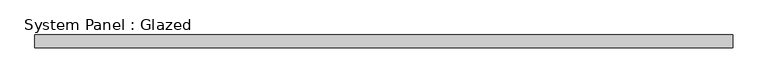
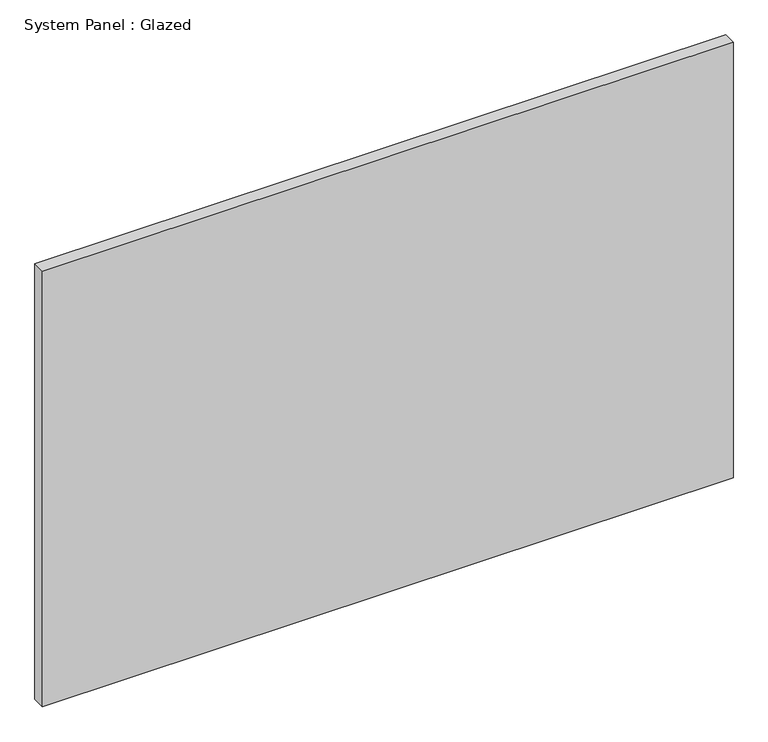
"""IFC4 building model written with IfcOpenShell, lengths in millimetres: plate geometry, System Panel : Glazed."""

import ifcopenshell
import ifcopenshell.guid

model = None  # the IFC model being written
_history = None  # IfcOwnerHistory: only IFC2X3 demands one
_inside = {}  # id of a spatial element -> (the spatial element, [elements in it])
_under = {}  # id of a project, library or spatial element -> (it, [spatial elements below it])
_declared = {}  # id of a project -> (the project, [libraries it declares])
_typed = {}  # id of a type object -> (the type object, [elements of that type])
_made_of = {}  # id of a material, layer set ... -> (it, [elements and type objects made of it])


def new_model(schema):
    """Start an empty IFC model of exactly this schema.

    Asked for "IFC4X3", IfcOpenShell would pick the latest addendum, in which some entities
    have other attributes; the version numbers below select the first issue.
    IFC2X3 requires an IfcOwnerHistory on every rooted entity: one is made here for all.
    """
    global model, _history
    if schema == "IFC4X3":
        model = ifcopenshell.file(schema_version=(4, 3, 0, 0))
    else:
        model = ifcopenshell.file(schema=schema)
    _inside.clear()
    _under.clear()
    _declared.clear()
    _typed.clear()
    _made_of.clear()
    _history = None
    if model.schema == "IFC2X3":
        org = make("IfcOrganization", Name="unknown")
        user = make(
            "IfcPersonAndOrganization",
            ThePerson=make("IfcPerson", FamilyName="unknown"),
            TheOrganization=org,
        )
        app = make(
            "IfcApplication",
            ApplicationDeveloper=org,
            Version="unknown",
            ApplicationFullName="unknown",
            ApplicationIdentifier="unknown",
        )
        _history = make(
            "IfcOwnerHistory",
            OwningUser=user,
            OwningApplication=app,
            ChangeAction="ADDED",
            CreationDate=0,
        )
    return model


def make(cls, **values):
    """One entity of the class cls with the attributes given. An attribute that is None is left unset."""
    return model.create_entity(
        cls, **{name: value for name, value in values.items() if value is not None}
    )


def rooted(cls, **values):
    """An entity with a GlobalId (a new one), such as an element, a storey or a relation."""
    return make(cls, GlobalId=ifcopenshell.guid.new(), OwnerHistory=_history, **values)


def si_unit(unit_type, name, prefix=None):
    """IfcSIUnit, for example si_unit("LENGTHUNIT", "METRE", prefix="MILLI")."""
    return make("IfcSIUnit", UnitType=unit_type, Prefix=prefix, Name=name)


def assignment(units):
    """IfcUnitAssignment: the units of a project."""
    return None if units is None else make("IfcUnitAssignment", Units=units)


def point(xyz):
    """IfcCartesianPoint."""
    return None if xyz is None else make("IfcCartesianPoint", Coordinates=xyz)


def direction(xyz):
    """IfcDirection."""
    return None if xyz is None else make("IfcDirection", DirectionRatios=xyz)


def frame(location, z_axis=None, x_axis=None):
    """IfcAxis2Placement3D, a coordinate frame: its origin and axes. An axis left out is left unset."""
    return make(
        "IfcAxis2Placement3D",
        Location=point(location),
        Axis=direction(z_axis),
        RefDirection=direction(x_axis),
    )


def origin():
    """The frame at (0, 0, 0) with its axes left unset."""
    return frame((0.0, 0.0, 0.0))


def origin_with_axes():
    """The frame at (0, 0, 0) with the z axis (0, 0, 1) and the x axis (1, 0, 0) written out."""
    return frame((0.0, 0.0, 0.0), z_axis=(0.0, 0.0, 1.0), x_axis=(1.0, 0.0, 0.0))


def place(relative_to, where):
    """IfcLocalPlacement: puts the frame where relative to a parent placement (None: the world)."""
    return make(
        "IfcLocalPlacement", PlacementRelTo=relative_to, RelativePlacement=where
    )


def context(
    kind, dimensions, precision=None, world=None, true_north=None, identifier=None
):
    """IfcGeometricRepresentationContext, for example the 3D "Model" context."""
    return make(
        "IfcGeometricRepresentationContext",
        ContextIdentifier=identifier,
        ContextType=kind,
        CoordinateSpaceDimension=dimensions,
        Precision=precision,
        WorldCoordinateSystem=world,
        TrueNorth=true_north,
    )


def project(units=None, contexts=None):
    """IfcProject with its units and contexts."""
    return rooted(
        "IfcProject",
        Name="project",
        RepresentationContexts=contexts,
        UnitsInContext=assignment(units),
    )


def spatial(cls, under=None, at=None, **own):
    """A site, building, storey or space (cls), placed at a placement, below another one or the project."""
    s = rooted(cls, ObjectPlacement=at, **own)
    if under is not None:
        _under.setdefault(under.id(), (under, []))[1].append(s)
    return s


def polyline(points):
    """IfcPolyline through the points."""
    return make("IfcPolyline", Points=[point(p) for p in points])


def outline(outer, holes=None, kind="AREA"):
    """IfcArbitraryClosedProfileDef: a profile drawn as a closed curve; with holes, ...WithVoids."""
    if holes is None:
        return make("IfcArbitraryClosedProfileDef", ProfileType=kind, OuterCurve=outer)
    return make(
        "IfcArbitraryProfileDefWithVoids",
        ProfileType=kind,
        OuterCurve=outer,
        InnerCurves=holes,
    )


def extrude(swept, where, along, depth):
    """IfcExtrudedAreaSolid: the profile swept, set in the frame where, extruded along a direction by depth."""
    return make(
        "IfcExtrudedAreaSolid",
        SweptArea=swept,
        Position=where,
        ExtrudedDirection=direction(along),
        Depth=depth,
    )


def shape(context_of_items, identifier, shape_type, items):
    """IfcShapeRepresentation: the items that make up one representation, for example the "Body"."""
    return make(
        "IfcShapeRepresentation",
        ContextOfItems=context_of_items,
        RepresentationIdentifier=identifier,
        RepresentationType=shape_type,
        Items=items,
    )


def source(mapping_origin, context_of_items, identifier, shape_type, items):
    """IfcRepresentationMap: a shape defined once, which mapped items show again and again."""
    return make(
        "IfcRepresentationMap",
        MappingOrigin=mapping_origin,
        MappedRepresentation=shape(context_of_items, identifier, shape_type, items),
    )


def transform(
    local_origin,
    x_axis=None,
    y_axis=None,
    z_axis=None,
    scale=None,
    scale2=None,
    scale3=None,
    uniform=True,
):
    """IfcCartesianTransformationOperator3D, or its non-uniform kind. x_axis, y_axis, z_axis: its Axis1, 2, 3."""
    if uniform:
        return make(
            "IfcCartesianTransformationOperator3D",
            Axis1=direction(x_axis),
            Axis2=direction(y_axis),
            LocalOrigin=point(local_origin),
            Scale=scale,
            Axis3=direction(z_axis),
        )
    return make(
        "IfcCartesianTransformationOperator3DnonUniform",
        Axis1=direction(x_axis),
        Axis2=direction(y_axis),
        LocalOrigin=point(local_origin),
        Scale=scale,
        Axis3=direction(z_axis),
        Scale2=scale2,
        Scale3=scale3,
    )


def mapped(mapping_source, mapping_target):
    """IfcMappedItem: shows the shape of a source again, moved by a transform."""
    return make(
        "IfcMappedItem", MappingSource=mapping_source, MappingTarget=mapping_target
    )


def made_of(thing, what):
    """Note that an element or type object is made of a material, layer set ...; save() writes the relation."""
    if what is not None:
        _made_of.setdefault(what.id(), (what, []))[1].append(thing)
    return thing


def element(
    cls,
    number,
    at=None,
    inside=None,
    cuts=None,
    type_object=None,
    material=None,
    context=None,
    identifier="Body",
    shape_type=None,
    held_by="IfcProductDefinitionShape",
    body=None,
    shapes=None,
    **own,
):
    """One element of the class cls, such as IfcWall. Its Tag is "e" and its number.

    at: its placement. inside: the storey or other place that contains it. cuts: it is an
    opening in that element (IfcRelVoidsElement). A single representation is given by context,
    identifier, shape_type and body (its items); several are given by shapes. held_by: the class
    of the entity that holds the representations. save() writes the other relations.
    """
    e = rooted(cls, Tag="e%d" % number, ObjectPlacement=at, **own)
    if body is not None:
        shapes = [shape(context, identifier, shape_type, body)]
    if shapes is not None:
        e.Representation = make(held_by, Representations=shapes)
    if inside is not None:
        _inside.setdefault(inside.id(), (inside, []))[1].append(e)
    if cuts is not None:
        rooted(
            "IfcRelVoidsElement", RelatingBuildingElement=cuts, RelatedOpeningElement=e
        )
    if type_object is not None:
        _typed.setdefault(type_object.id(), (type_object, []))[1].append(e)
    return made_of(e, material)


def aggregate(whole, parts):
    """IfcRelAggregates: a whole, such as a stair, and the parts it consists of."""
    return rooted("IfcRelAggregates", RelatingObject=whole, RelatedObjects=parts)


def save(model, path):
    """Write the relations noted so far, then the file.

    IfcRelAggregates (storeys below a building ...), IfcRelContainedInSpatialStructure (elements
    in a storey), IfcRelDefinesByType, IfcRelAssociatesMaterial and IfcRelDeclares: one each for
    every whole, place, type object, material and project.
    """
    for whole, parts in _under.values():
        aggregate(whole, parts)
    for where, things in _inside.values():
        rooted(
            "IfcRelContainedInSpatialStructure",
            RelatedElements=things,
            RelatingStructure=where,
        )
    for kind, things in _typed.values():
        rooted("IfcRelDefinesByType", RelatedObjects=things, RelatingType=kind)
    for what, things in _made_of.values():
        rooted("IfcRelAssociatesMaterial", RelatedObjects=things, RelatingMaterial=what)
    for by, libraries in _declared.values():
        rooted("IfcRelDeclares", RelatingContext=by, RelatedDefinitions=libraries)
    model.write(path)


def system_panel_glazed_5f8069c5(model_context):
    return source(origin(), model_context, "Body", "SweptSolid", [
        extrude(outline(polyline([(685.7999998, 19.05), (-685.7999998, 19.05), (-685.7999998, 44.45), (685.7999998, 44.45), (685.7999998, 19.05)])), origin_with_axes(), (0.0, 0.0, 1.0), 914.4),
    ])


if __name__ == "__main__":
    model = new_model("IFC4")
    model_context = context("Model", 3, world=origin())
    ifc_project = project(units=[si_unit("LENGTHUNIT", "METRE", prefix="MILLI")], contexts=[model_context])
    site = spatial("IfcSite", under=ifc_project)
    building = spatial("IfcBuilding", under=site)
    placement = place(None, origin())
    system_panel_glazed_shape = system_panel_glazed_5f8069c5(model_context)
    element("IfcPlate", 1, ObjectType="System Panel : Glazed", at=placement, inside=building, context=model_context, shape_type="MappedRepresentation", body=[
        mapped(system_panel_glazed_shape, transform((0.0, 0.0, 0.0), x_axis=(1.0, 0.0, 0.0), y_axis=(0.0, 1.0, 0.0), z_axis=(0.0, 0.0, 1.0))),
    ])
    save(model, "model.ifc")
